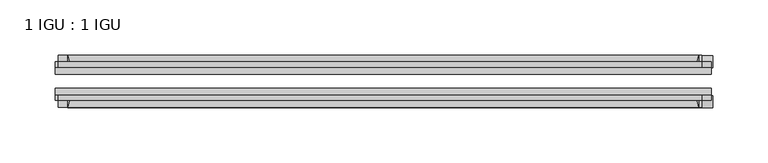
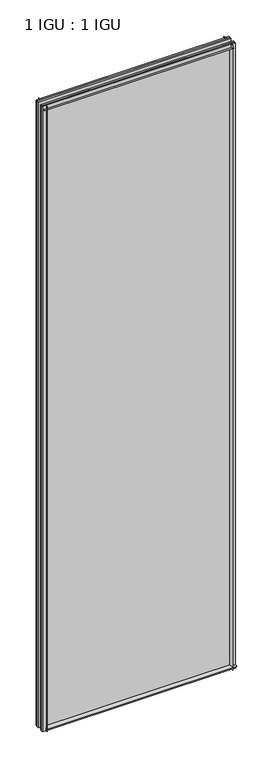
"""IFC4 building model written with IfcOpenShell, lengths in millimetres: plate geometry, 1 IGU : 1 IGU."""

import ifcopenshell
import ifcopenshell.guid

model = None  # the IFC model being written
_history = None  # IfcOwnerHistory: only IFC2X3 demands one
_inside = {}  # id of a spatial element -> (the spatial element, [elements in it])
_under = {}  # id of a project, library or spatial element -> (it, [spatial elements below it])
_declared = {}  # id of a project -> (the project, [libraries it declares])
_typed = {}  # id of a type object -> (the type object, [elements of that type])
_made_of = {}  # id of a material, layer set ... -> (it, [elements and type objects made of it])


def new_model(schema):
    """Start an empty IFC model of exactly this schema.

    Asked for "IFC4X3", IfcOpenShell would pick the latest addendum, in which some entities
    have other attributes; the version numbers below select the first issue.
    IFC2X3 requires an IfcOwnerHistory on every rooted entity: one is made here for all.
    """
    global model, _history
    if schema == "IFC4X3":
        model = ifcopenshell.file(schema_version=(4, 3, 0, 0))
    else:
        model = ifcopenshell.file(schema=schema)
    _inside.clear()
    _under.clear()
    _declared.clear()
    _typed.clear()
    _made_of.clear()
    _history = None
    if model.schema == "IFC2X3":
        org = make("IfcOrganization", Name="unknown")
        user = make(
            "IfcPersonAndOrganization",
            ThePerson=make("IfcPerson", FamilyName="unknown"),
            TheOrganization=org,
        )
        app = make(
            "IfcApplication",
            ApplicationDeveloper=org,
            Version="unknown",
            ApplicationFullName="unknown",
            ApplicationIdentifier="unknown",
        )
        _history = make(
            "IfcOwnerHistory",
            OwningUser=user,
            OwningApplication=app,
            ChangeAction="ADDED",
            CreationDate=0,
        )
    return model


def make(cls, **values):
    """One entity of the class cls with the attributes given. An attribute that is None is left unset."""
    return model.create_entity(
        cls, **{name: value for name, value in values.items() if value is not None}
    )


def rooted(cls, **values):
    """An entity with a GlobalId (a new one), such as an element, a storey or a relation."""
    return make(cls, GlobalId=ifcopenshell.guid.new(), OwnerHistory=_history, **values)


def si_unit(unit_type, name, prefix=None):
    """IfcSIUnit, for example si_unit("LENGTHUNIT", "METRE", prefix="MILLI")."""
    return make("IfcSIUnit", UnitType=unit_type, Prefix=prefix, Name=name)


def assignment(units):
    """IfcUnitAssignment: the units of a project."""
    return None if units is None else make("IfcUnitAssignment", Units=units)


def point(xyz):
    """IfcCartesianPoint."""
    return None if xyz is None else make("IfcCartesianPoint", Coordinates=xyz)


def direction(xyz):
    """IfcDirection."""
    return None if xyz is None else make("IfcDirection", DirectionRatios=xyz)


def frame(location, z_axis=None, x_axis=None):
    """IfcAxis2Placement3D, a coordinate frame: its origin and axes. An axis left out is left unset."""
    return make(
        "IfcAxis2Placement3D",
        Location=point(location),
        Axis=direction(z_axis),
        RefDirection=direction(x_axis),
    )


def frame_2d(location, x_axis=None):
    """IfcAxis2Placement2D, a coordinate frame in the plane: its origin and x axis."""
    return make(
        "IfcAxis2Placement2D", Location=point(location), RefDirection=direction(x_axis)
    )


def origin():
    """The frame at (0, 0, 0) with its axes left unset."""
    return frame((0.0, 0.0, 0.0))


def place(relative_to, where):
    """IfcLocalPlacement: puts the frame where relative to a parent placement (None: the world)."""
    return make(
        "IfcLocalPlacement", PlacementRelTo=relative_to, RelativePlacement=where
    )


def context(
    kind, dimensions, precision=None, world=None, true_north=None, identifier=None
):
    """IfcGeometricRepresentationContext, for example the 3D "Model" context."""
    return make(
        "IfcGeometricRepresentationContext",
        ContextIdentifier=identifier,
        ContextType=kind,
        CoordinateSpaceDimension=dimensions,
        Precision=precision,
        WorldCoordinateSystem=world,
        TrueNorth=true_north,
    )


def project(units=None, contexts=None):
    """IfcProject with its units and contexts."""
    return rooted(
        "IfcProject",
        Name="project",
        RepresentationContexts=contexts,
        UnitsInContext=assignment(units),
    )


def spatial(cls, under=None, at=None, **own):
    """A site, building, storey or space (cls), placed at a placement, below another one or the project."""
    s = rooted(cls, ObjectPlacement=at, **own)
    if under is not None:
        _under.setdefault(under.id(), (under, []))[1].append(s)
    return s


def polyline(points):
    """IfcPolyline through the points."""
    return make("IfcPolyline", Points=[point(p) for p in points])


def circle_curve(where, radius):
    """IfcCircle in the frame where."""
    return make("IfcCircle", Position=where, Radius=radius)


def trimmed(basis, trim1, trim2, sense, master):
    """IfcTrimmedCurve: the piece of a basis curve between two trims."""
    return make(
        "IfcTrimmedCurve",
        BasisCurve=basis,
        Trim1=trim1,
        Trim2=trim2,
        SenseAgreement=sense,
        MasterRepresentation=master,
    )


def segment(curve, same_sense, transition):
    """IfcCompositeCurveSegment."""
    return make(
        "IfcCompositeCurveSegment",
        Transition=transition,
        SameSense=same_sense,
        ParentCurve=curve,
    )


def composite_curve(segments, self_intersect=None):
    """IfcCompositeCurve: segments joined end to end."""
    return make("IfcCompositeCurve", Segments=segments, SelfIntersect=self_intersect)


def outline(outer, holes=None, kind="AREA"):
    """IfcArbitraryClosedProfileDef: a profile drawn as a closed curve; with holes, ...WithVoids."""
    if holes is None:
        return make("IfcArbitraryClosedProfileDef", ProfileType=kind, OuterCurve=outer)
    return make(
        "IfcArbitraryProfileDefWithVoids",
        ProfileType=kind,
        OuterCurve=outer,
        InnerCurves=holes,
    )


def extrude(swept, where, along, depth):
    """IfcExtrudedAreaSolid: the profile swept, set in the frame where, extruded along a direction by depth."""
    return make(
        "IfcExtrudedAreaSolid",
        SweptArea=swept,
        Position=where,
        ExtrudedDirection=direction(along),
        Depth=depth,
    )


def shape(context_of_items, identifier, shape_type, items):
    """IfcShapeRepresentation: the items that make up one representation, for example the "Body"."""
    return make(
        "IfcShapeRepresentation",
        ContextOfItems=context_of_items,
        RepresentationIdentifier=identifier,
        RepresentationType=shape_type,
        Items=items,
    )


def source(mapping_origin, context_of_items, identifier, shape_type, items):
    """IfcRepresentationMap: a shape defined once, which mapped items show again and again."""
    return make(
        "IfcRepresentationMap",
        MappingOrigin=mapping_origin,
        MappedRepresentation=shape(context_of_items, identifier, shape_type, items),
    )


def transform(
    local_origin,
    x_axis=None,
    y_axis=None,
    z_axis=None,
    scale=None,
    scale2=None,
    scale3=None,
    uniform=True,
):
    """IfcCartesianTransformationOperator3D, or its non-uniform kind. x_axis, y_axis, z_axis: its Axis1, 2, 3."""
    if uniform:
        return make(
            "IfcCartesianTransformationOperator3D",
            Axis1=direction(x_axis),
            Axis2=direction(y_axis),
            LocalOrigin=point(local_origin),
            Scale=scale,
            Axis3=direction(z_axis),
        )
    return make(
        "IfcCartesianTransformationOperator3DnonUniform",
        Axis1=direction(x_axis),
        Axis2=direction(y_axis),
        LocalOrigin=point(local_origin),
        Scale=scale,
        Axis3=direction(z_axis),
        Scale2=scale2,
        Scale3=scale3,
    )


def mapped(mapping_source, mapping_target):
    """IfcMappedItem: shows the shape of a source again, moved by a transform."""
    return make(
        "IfcMappedItem", MappingSource=mapping_source, MappingTarget=mapping_target
    )


def made_of(thing, what):
    """Note that an element or type object is made of a material, layer set ...; save() writes the relation."""
    if what is not None:
        _made_of.setdefault(what.id(), (what, []))[1].append(thing)
    return thing


def element(
    cls,
    number,
    at=None,
    inside=None,
    cuts=None,
    type_object=None,
    material=None,
    context=None,
    identifier="Body",
    shape_type=None,
    held_by="IfcProductDefinitionShape",
    body=None,
    shapes=None,
    **own,
):
    """One element of the class cls, such as IfcWall. Its Tag is "e" and its number.

    at: its placement. inside: the storey or other place that contains it. cuts: it is an
    opening in that element (IfcRelVoidsElement). A single representation is given by context,
    identifier, shape_type and body (its items); several are given by shapes. held_by: the class
    of the entity that holds the representations. save() writes the other relations.
    """
    e = rooted(cls, Tag="e%d" % number, ObjectPlacement=at, **own)
    if body is not None:
        shapes = [shape(context, identifier, shape_type, body)]
    if shapes is not None:
        e.Representation = make(held_by, Representations=shapes)
    if inside is not None:
        _inside.setdefault(inside.id(), (inside, []))[1].append(e)
    if cuts is not None:
        rooted(
            "IfcRelVoidsElement", RelatingBuildingElement=cuts, RelatedOpeningElement=e
        )
    if type_object is not None:
        _typed.setdefault(type_object.id(), (type_object, []))[1].append(e)
    return made_of(e, material)


def aggregate(whole, parts):
    """IfcRelAggregates: a whole, such as a stair, and the parts it consists of."""
    return rooted("IfcRelAggregates", RelatingObject=whole, RelatedObjects=parts)


def save(model, path):
    """Write the relations noted so far, then the file.

    IfcRelAggregates (storeys below a building ...), IfcRelContainedInSpatialStructure (elements
    in a storey), IfcRelDefinesByType, IfcRelAssociatesMaterial and IfcRelDeclares: one each for
    every whole, place, type object, material and project.
    """
    for whole, parts in _under.values():
        aggregate(whole, parts)
    for where, things in _inside.values():
        rooted(
            "IfcRelContainedInSpatialStructure",
            RelatedElements=things,
            RelatingStructure=where,
        )
    for kind, things in _typed.values():
        rooted("IfcRelDefinesByType", RelatedObjects=things, RelatingType=kind)
    for what, things in _made_of.values():
        rooted("IfcRelAssociatesMaterial", RelatedObjects=things, RelatingMaterial=what)
    for by, libraries in _declared.values():
        rooted("IfcRelDeclares", RelatingContext=by, RelatedDefinitions=libraries)
    model.write(path)


def plate_1_igu_1_igu_cd50035c(model_context):
    return source(origin(), model_context, "Body", "SweptSolid", [
        extrude(outline(composite_curve([segment(polyline([(-74.6252, -8.73125), (-74.6252, -0.0097454), (-80.6504332, -0.0097454)]), True, "CONTINUOUS"), segment(trimmed(circle_curve(frame_2d((-86.2258203, 32.2797688)), 32.7673262), [point((-80.6504332, -0.0097454))], [point((-69.85, 3.8979053))], True, "CARTESIAN"), True, "CONTINUOUS"), segment(polyline([(-69.85, 3.8979053), (-69.85, -8.73125), (-74.6252, -8.73125)]), True, "CONTINUOUS")], self_intersect=False)), frame((-292.0745835, 0.0, 0.0), z_axis=(1.0, 0.0, 0.0), x_axis=(0.0, 1.0, 0.0)), (0.0, 0.0, 1.0), 584.149167),
        extrude(outline(composite_curve([segment(polyline([(-39.6748, -8.73125), (-44.45, -8.73125), (-44.45, 3.8979053)]), True, "CONTINUOUS"), segment(trimmed(circle_curve(frame_2d((-28.0741797, 32.2797688)), 32.7673262), [point((-44.45, 3.8979053))], [point((-33.6495668, -0.0097454))], True, "CARTESIAN"), True, "CONTINUOUS"), segment(polyline([(-33.6495668, -0.0097454), (-39.6748, -0.0097454), (-39.6748, -8.73125)]), True, "CONTINUOUS")], self_intersect=False)), frame((-292.0745835, 0.0, 0.0), z_axis=(1.0, 0.0, 0.0), x_axis=(0.0, 1.0, 0.0)), (0.0, 0.0, 1.0), 584.149167),
        extrude(outline(composite_curve([segment(polyline([(-80.5942, 2012.1562438), (-74.6252, 2012.1562438), (-74.6252, 2023.2687438), (-69.85, 2023.2687438), (-69.85, 2008.2583533)]), True, "CONTINUOUS"), segment(trimmed(circle_curve(frame_2d((-86.2258203, 1979.8764898)), 32.7673262), [point((-69.85, 2008.2583533))], [point((-80.5942, 2012.1562438))], True, "CARTESIAN"), True, "CONTINUOUS")], self_intersect=False)), frame((-300.5873221, 0.0, 0.0), z_axis=(1.0, 0.0, 0.0), x_axis=(0.0, 1.0, 0.0)), (0.0, 0.0, 1.0), 582.5078671),
        extrude(outline(composite_curve([segment(polyline([(-39.6748, 2023.2687438), (-39.6748, 2012.1562438), (-33.7058, 2012.1562438)]), True, "CONTINUOUS"), segment(trimmed(circle_curve(frame_2d((-28.0741797, 1979.8764898)), 32.7673262), [point((-33.7058, 2012.1562438))], [point((-44.45, 2008.2583533))], True, "CARTESIAN"), True, "CONTINUOUS"), segment(polyline([(-44.45, 2008.2583533), (-44.45, 2023.2687438), (-39.6748, 2023.2687438)]), True, "CONTINUOUS")], self_intersect=False)), frame((-300.5873221, 0.0, 0.0), z_axis=(1.0, 0.0, 0.0), x_axis=(0.0, 1.0, 0.0)), (0.0, 0.0, 1.0), 582.5078671),
        extrude(outline(composite_curve([segment(polyline([(290.4870835, -39.6748), (290.4870835, -44.45), (275.476693, -44.45)]), True, "CONTINUOUS"), segment(trimmed(circle_curve(frame_2d((247.0948295, -28.0741797)), 32.7673262), [point((275.476693, -44.45))], [point((279.3745835, -33.7058))], True, "CARTESIAN"), True, "CONTINUOUS"), segment(polyline([(279.3745835, -33.7058), (279.3745835, -39.6748), (290.4870835, -39.6748)]), True, "CONTINUOUS")], self_intersect=False)), frame((0.0, 0.0, -8.73125), z_axis=(0.0, 0.0, 1.0), x_axis=(1.0, 0.0, 0.0)), (0.0, 0.0, 1.0), 2031.9999938),
        extrude(outline(composite_curve([segment(polyline([(290.4870835, -69.85), (290.4870835, -74.6252), (279.3745835, -74.6252), (279.3745835, -80.5942)]), True, "CONTINUOUS"), segment(trimmed(circle_curve(frame_2d((247.0948295, -86.2258203)), 32.7673262), [point((279.3745835, -80.5942))], [point((275.476693, -69.85))], True, "CARTESIAN"), True, "CONTINUOUS"), segment(polyline([(275.476693, -69.85), (290.4870835, -69.85)]), True, "CONTINUOUS")], self_intersect=False)), frame((0.0, 0.0, -8.73125), z_axis=(0.0, 0.0, 1.0), x_axis=(1.0, 0.0, 0.0)), (0.0, 0.0, 1.0), 2031.9999938),
        extrude(outline(composite_curve([segment(polyline([(-303.1870835, -39.6748), (-292.0745835, -39.6748), (-292.0745835, -33.7058)]), True, "CONTINUOUS"), segment(trimmed(circle_curve(frame_2d((-259.7948295, -28.0741797)), 32.7673262), [point((-292.0745835, -33.7058))], [point((-288.176693, -44.45))], True, "CARTESIAN"), True, "CONTINUOUS"), segment(polyline([(-288.176693, -44.45), (-303.1870835, -44.45), (-303.1870835, -39.6748)]), True, "CONTINUOUS")], self_intersect=False)), frame((0.0, 0.0, -8.73125), z_axis=(0.0, 0.0, 1.0), x_axis=(1.0, 0.0, 0.0)), (0.0, 0.0, 1.0), 2031.9999938),
        extrude(outline(composite_curve([segment(polyline([(-303.1870835, -74.6252), (-303.1870835, -69.85), (-288.176693, -69.85)]), True, "CONTINUOUS"), segment(trimmed(circle_curve(frame_2d((-259.7948295, -86.2258203)), 32.7673262), [point((-288.176693, -69.85))], [point((-292.0745835, -80.5942))], True, "CARTESIAN"), True, "CONTINUOUS"), segment(polyline([(-292.0745835, -80.5942), (-292.0745835, -74.6252), (-303.1870835, -74.6252)]), True, "CONTINUOUS")], self_intersect=False)), frame((0.0, 0.0, -8.73125), z_axis=(0.0, 0.0, 1.0), x_axis=(1.0, 0.0, 0.0)), (0.0, 0.0, 1.0), 2031.9999938),
        extrude(outline(polyline([(-303.1870835, -69.85), (-303.1870835, -63.5508), (290.4870835, -63.5508), (290.4870835, -69.85), (-303.1870835, -69.85)])), frame((0.0, 0.0, -8.73125), z_axis=(0.0, 0.0, 1.0), x_axis=(1.0, 0.0, 0.0)), (0.0, 0.0, 1.0), 2031.9999938),
        extrude(outline(polyline([(290.4870835, -50.7492), (-303.1870835, -50.7492), (-303.1870835, -44.45), (290.4870835, -44.45), (290.4870835, -50.7492)])), frame((0.0, 0.0, -8.73125), z_axis=(0.0, 0.0, 1.0), x_axis=(1.0, 0.0, 0.0)), (0.0, 0.0, 1.0), 2031.9999938),
    ])


if __name__ == "__main__":
    model = new_model("IFC4")
    model_context = context("Model", 3, world=origin())
    ifc_project = project(units=[si_unit("LENGTHUNIT", "METRE", prefix="MILLI")], contexts=[model_context])
    site = spatial("IfcSite", under=ifc_project)
    building = spatial("IfcBuilding", under=site)
    placement = place(None, origin())
    plate_1_igu_1_igu_shape = plate_1_igu_1_igu_cd50035c(model_context)
    element("IfcPlate", 1, ObjectType="1 IGU : 1 IGU", at=placement, inside=building, context=model_context, shape_type="MappedRepresentation", body=[
        mapped(plate_1_igu_1_igu_shape, transform((0.0, 0.0, 0.0), x_axis=(1.0, 0.0, 0.0), y_axis=(0.0, 1.0, 0.0), z_axis=(0.0, 0.0, 1.0))),
    ])
    save(model, "model.ifc")
